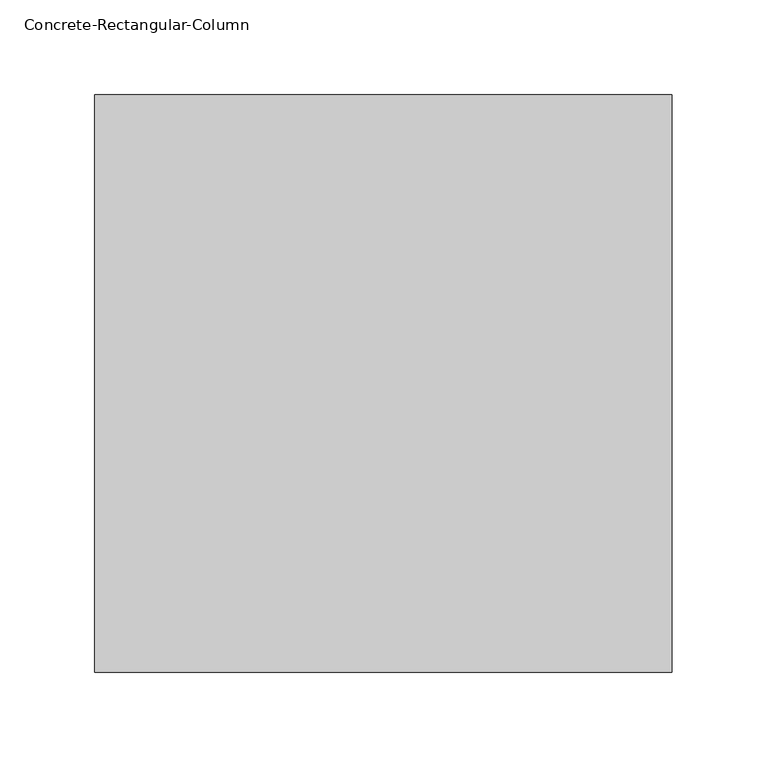
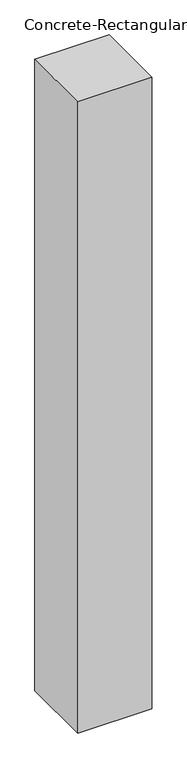
"""IFC4 building model written with IfcOpenShell, lengths in millimetres: column geometry, Concrete-Rectangular-Column."""

from ifc_helpers import new_model, si_unit, frame, origin, place, context, project, spatial, polyline, outline, extrude, source, transform, mapped, element, save


def concrete_rectangular_column_483f9928(model_context):
    return source(origin(), model_context, "Body", "SweptSolid", [
        extrude(outline(polyline([(152.4, 152.4), (152.4, -152.4), (-152.4, -152.4), (-152.4, 152.4), (152.4, 152.4)])), frame((0.0, 0.0, 5740.4), z_axis=(0.0, 0.0, 1.0), x_axis=(1.0, 0.0, 0.0)), (0.0, 0.0, 1.0), 2743.2),
    ])


if __name__ == "__main__":
    model = new_model("IFC4")
    model_context = context("Model", 3, world=origin())
    ifc_project = project(units=[si_unit("LENGTHUNIT", "METRE", prefix="MILLI")], contexts=[model_context])
    site = spatial("IfcSite", under=ifc_project)
    building = spatial("IfcBuilding", under=site)
    placement = place(None, origin())
    concrete_rectangular_column_shape = concrete_rectangular_column_483f9928(model_context)
    element("IfcColumn", 1, ObjectType="Concrete-Rectangular-Column", at=placement, inside=building, context=model_context, shape_type="MappedRepresentation", body=[
        mapped(concrete_rectangular_column_shape, transform((0.0, 0.0, 0.0), x_axis=(1.0, 0.0, 0.0), y_axis=(0.0, 1.0, 0.0), z_axis=(0.0, 0.0, 1.0))),
    ])
    save(model, "model.ifc")
